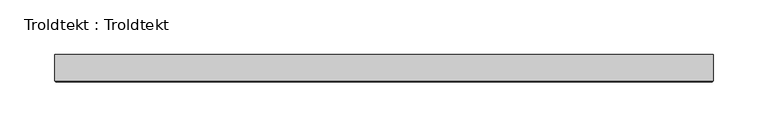
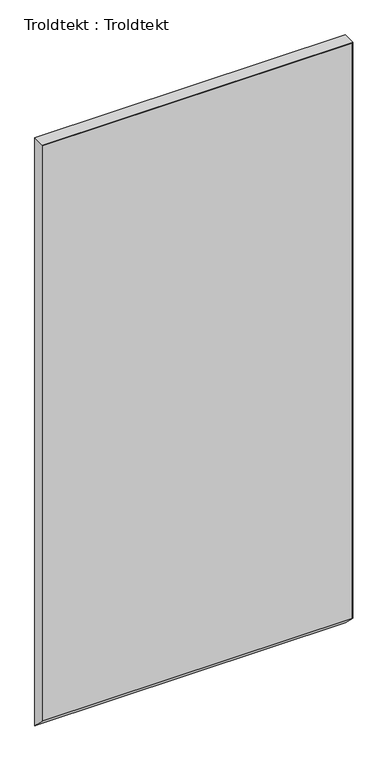
"""IFC4 building model written with IfcOpenShell, lengths in millimetres: proxy geometry, Troldtekt : Troldtekt."""

from ifc_helpers import new_model, si_unit, origin, place, context, project, spatial, faceted_brep, source, transform, mapped, element, save


def troldtekt_troldtekt_21c64f88(model_context):
    return source(origin(), model_context, "Body", "Brep", [
        faceted_brep([(-300.0, 12.5, 1200.0), (-300.0, -11.495044, 1200.0), (300.0, -11.495044, 1200.0), (300.0, 12.5, 1200.0), (-298.995044, -12.5, 1198.995044), (-298.995044, -12.5, 26.0), (298.995044, -12.5, 26.0), (298.995044, -12.5, 1198.995044), (-300.0, 12.5, 1.0), (-300.0, -11.495044, 24.995044), (300.0, 12.5, 1.0), (300.0, -11.495044, 24.995044)], [[[0, 1, 2, 3]], [[4, 5, 6, 7]], [[0, 8, 9, 1]], [[3, 10, 8, 0]], [[2, 11, 10, 3]], [[1, 9, 5, 4]], [[7, 6, 11, 2]], [[2, 1, 4, 7]], [[5, 9, 8, 10, 11, 6]]]),
    ])


if __name__ == "__main__":
    model = new_model("IFC4")
    model_context = context("Model", 3, world=origin())
    ifc_project = project(units=[si_unit("LENGTHUNIT", "METRE", prefix="MILLI")], contexts=[model_context])
    site = spatial("IfcSite", under=ifc_project)
    building = spatial("IfcBuilding", under=site)
    placement = place(None, origin())
    troldtekt_troldtekt_shape = troldtekt_troldtekt_21c64f88(model_context)
    element("IfcBuildingElementProxy", 1, Name="Troldtekt : Troldtekt", ObjectType="Troldtekt : Troldtekt", at=placement, inside=building, context=model_context, shape_type="MappedRepresentation", body=[
        mapped(troldtekt_troldtekt_shape, transform((0.0, 0.0, 0.0), x_axis=(1.0, 0.0, 0.0), y_axis=(0.0, 1.0, 0.0), z_axis=(0.0, 0.0, 1.0))),
    ])
    save(model, "model.ifc")
